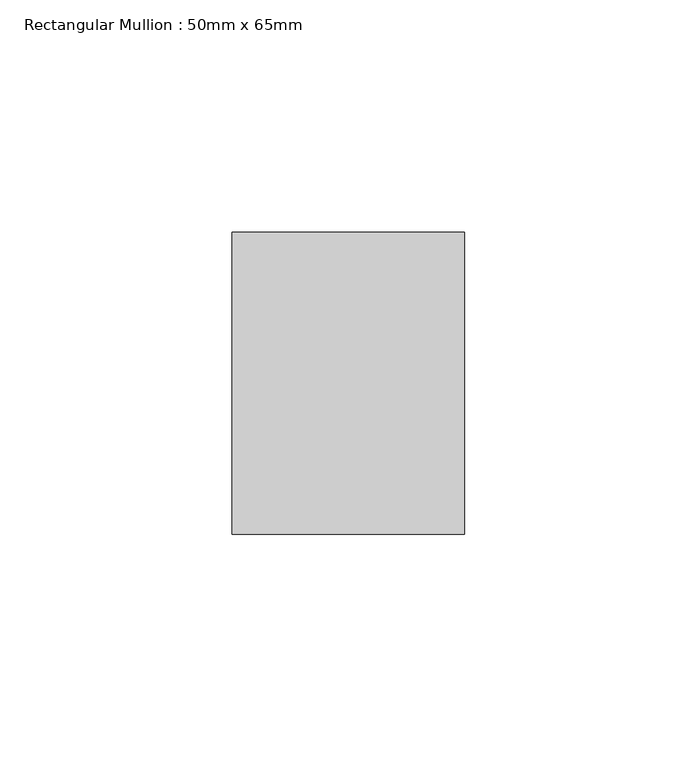
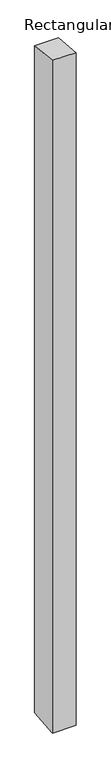
"""IFC4 building model written with IfcOpenShell, lengths in millimetres: member geometry, Rectangular Mullion : 50mm x 65mm."""

from ifc_helpers import new_model, si_unit, origin, place, context, project, spatial, faceted_brep, source, transform, mapped, element, save


def rectangular_mullion_50mm_x_65mm_2dd0dee3(model_context):
    return source(origin(), model_context, "Body", "Brep", [
        faceted_brep([(-25.0, 32.5, -3.3716804), (25.0, 32.5, -3.3716845), (25.0, 32.5, -1496.8525429), (-25.0, 32.5, -1496.8525467), (-25.0, -32.5, 3.3716845), (-25.0, -32.5, -1503.1464206), (25.0, -32.5, 3.3716804), (25.0, -32.5, -1503.1464168)], [[[0, 1, 2, 3]], [[4, 0, 3, 5]], [[6, 4, 5, 7]], [[1, 6, 7, 2]], [[1, 0, 4, 6]], [[2, 7, 5, 3]]]),
    ])


if __name__ == "__main__":
    model = new_model("IFC4")
    model_context = context("Model", 3, world=origin())
    ifc_project = project(units=[si_unit("LENGTHUNIT", "METRE", prefix="MILLI")], contexts=[model_context])
    site = spatial("IfcSite", under=ifc_project)
    building = spatial("IfcBuilding", under=site)
    placement = place(None, origin())
    rectangular_mullion_50mm_x_65mm_shape = rectangular_mullion_50mm_x_65mm_2dd0dee3(model_context)
    element("IfcMember", 1, ObjectType="Rectangular Mullion : 50mm x 65mm", at=placement, inside=building, context=model_context, shape_type="MappedRepresentation", body=[
        mapped(rectangular_mullion_50mm_x_65mm_shape, transform((0.0, 0.0, 0.0), x_axis=(1.0, 0.0, 0.0), y_axis=(0.0, 1.0, 0.0), z_axis=(0.0, 0.0, 1.0))),
    ])
    save(model, "model.ifc")
